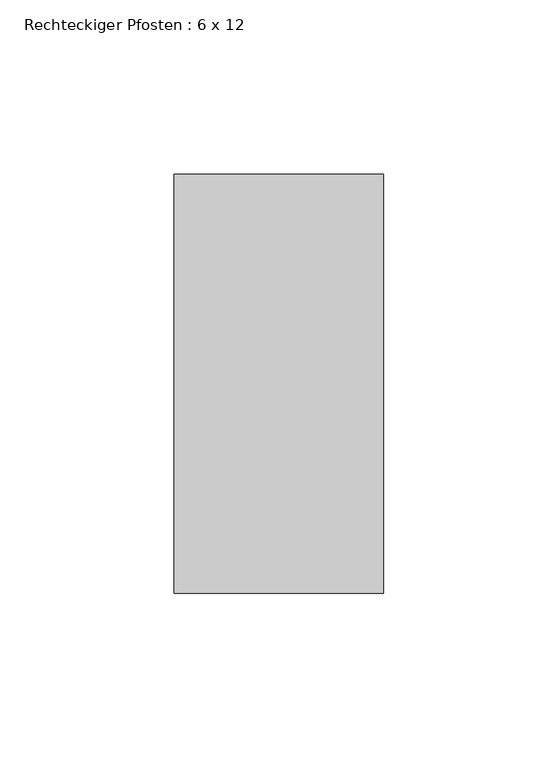
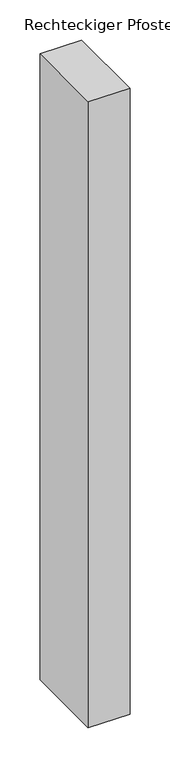
"""IFC4 building model written with IfcOpenShell, lengths in millimetres: member geometry, Rechteckiger Pfosten : 6 x 12."""

import ifcopenshell
import ifcopenshell.guid

model = None  # the IFC model being written
_history = None  # IfcOwnerHistory: only IFC2X3 demands one
_inside = {}  # id of a spatial element -> (the spatial element, [elements in it])
_under = {}  # id of a project, library or spatial element -> (it, [spatial elements below it])
_declared = {}  # id of a project -> (the project, [libraries it declares])
_typed = {}  # id of a type object -> (the type object, [elements of that type])
_made_of = {}  # id of a material, layer set ... -> (it, [elements and type objects made of it])


def new_model(schema):
    """Start an empty IFC model of exactly this schema.

    Asked for "IFC4X3", IfcOpenShell would pick the latest addendum, in which some entities
    have other attributes; the version numbers below select the first issue.
    IFC2X3 requires an IfcOwnerHistory on every rooted entity: one is made here for all.
    """
    global model, _history
    if schema == "IFC4X3":
        model = ifcopenshell.file(schema_version=(4, 3, 0, 0))
    else:
        model = ifcopenshell.file(schema=schema)
    _inside.clear()
    _under.clear()
    _declared.clear()
    _typed.clear()
    _made_of.clear()
    _history = None
    if model.schema == "IFC2X3":
        org = make("IfcOrganization", Name="unknown")
        user = make(
            "IfcPersonAndOrganization",
            ThePerson=make("IfcPerson", FamilyName="unknown"),
            TheOrganization=org,
        )
        app = make(
            "IfcApplication",
            ApplicationDeveloper=org,
            Version="unknown",
            ApplicationFullName="unknown",
            ApplicationIdentifier="unknown",
        )
        _history = make(
            "IfcOwnerHistory",
            OwningUser=user,
            OwningApplication=app,
            ChangeAction="ADDED",
            CreationDate=0,
        )
    return model


def make(cls, **values):
    """One entity of the class cls with the attributes given. An attribute that is None is left unset."""
    return model.create_entity(
        cls, **{name: value for name, value in values.items() if value is not None}
    )


def rooted(cls, **values):
    """An entity with a GlobalId (a new one), such as an element, a storey or a relation."""
    return make(cls, GlobalId=ifcopenshell.guid.new(), OwnerHistory=_history, **values)


def si_unit(unit_type, name, prefix=None):
    """IfcSIUnit, for example si_unit("LENGTHUNIT", "METRE", prefix="MILLI")."""
    return make("IfcSIUnit", UnitType=unit_type, Prefix=prefix, Name=name)


def assignment(units):
    """IfcUnitAssignment: the units of a project."""
    return None if units is None else make("IfcUnitAssignment", Units=units)


def point(xyz):
    """IfcCartesianPoint."""
    return None if xyz is None else make("IfcCartesianPoint", Coordinates=xyz)


def direction(xyz):
    """IfcDirection."""
    return None if xyz is None else make("IfcDirection", DirectionRatios=xyz)


def frame(location, z_axis=None, x_axis=None):
    """IfcAxis2Placement3D, a coordinate frame: its origin and axes. An axis left out is left unset."""
    return make(
        "IfcAxis2Placement3D",
        Location=point(location),
        Axis=direction(z_axis),
        RefDirection=direction(x_axis),
    )


def origin():
    """The frame at (0, 0, 0) with its axes left unset."""
    return frame((0.0, 0.0, 0.0))


def place(relative_to, where):
    """IfcLocalPlacement: puts the frame where relative to a parent placement (None: the world)."""
    return make(
        "IfcLocalPlacement", PlacementRelTo=relative_to, RelativePlacement=where
    )


def context(
    kind, dimensions, precision=None, world=None, true_north=None, identifier=None
):
    """IfcGeometricRepresentationContext, for example the 3D "Model" context."""
    return make(
        "IfcGeometricRepresentationContext",
        ContextIdentifier=identifier,
        ContextType=kind,
        CoordinateSpaceDimension=dimensions,
        Precision=precision,
        WorldCoordinateSystem=world,
        TrueNorth=true_north,
    )


def project(units=None, contexts=None):
    """IfcProject with its units and contexts."""
    return rooted(
        "IfcProject",
        Name="project",
        RepresentationContexts=contexts,
        UnitsInContext=assignment(units),
    )


def spatial(cls, under=None, at=None, **own):
    """A site, building, storey or space (cls), placed at a placement, below another one or the project."""
    s = rooted(cls, ObjectPlacement=at, **own)
    if under is not None:
        _under.setdefault(under.id(), (under, []))[1].append(s)
    return s


def polyline(points):
    """IfcPolyline through the points."""
    return make("IfcPolyline", Points=[point(p) for p in points])


def outline(outer, holes=None, kind="AREA"):
    """IfcArbitraryClosedProfileDef: a profile drawn as a closed curve; with holes, ...WithVoids."""
    if holes is None:
        return make("IfcArbitraryClosedProfileDef", ProfileType=kind, OuterCurve=outer)
    return make(
        "IfcArbitraryProfileDefWithVoids",
        ProfileType=kind,
        OuterCurve=outer,
        InnerCurves=holes,
    )


def extrude(swept, where, along, depth):
    """IfcExtrudedAreaSolid: the profile swept, set in the frame where, extruded along a direction by depth."""
    return make(
        "IfcExtrudedAreaSolid",
        SweptArea=swept,
        Position=where,
        ExtrudedDirection=direction(along),
        Depth=depth,
    )


def shape(context_of_items, identifier, shape_type, items):
    """IfcShapeRepresentation: the items that make up one representation, for example the "Body"."""
    return make(
        "IfcShapeRepresentation",
        ContextOfItems=context_of_items,
        RepresentationIdentifier=identifier,
        RepresentationType=shape_type,
        Items=items,
    )


def source(mapping_origin, context_of_items, identifier, shape_type, items):
    """IfcRepresentationMap: a shape defined once, which mapped items show again and again."""
    return make(
        "IfcRepresentationMap",
        MappingOrigin=mapping_origin,
        MappedRepresentation=shape(context_of_items, identifier, shape_type, items),
    )


def transform(
    local_origin,
    x_axis=None,
    y_axis=None,
    z_axis=None,
    scale=None,
    scale2=None,
    scale3=None,
    uniform=True,
):
    """IfcCartesianTransformationOperator3D, or its non-uniform kind. x_axis, y_axis, z_axis: its Axis1, 2, 3."""
    if uniform:
        return make(
            "IfcCartesianTransformationOperator3D",
            Axis1=direction(x_axis),
            Axis2=direction(y_axis),
            LocalOrigin=point(local_origin),
            Scale=scale,
            Axis3=direction(z_axis),
        )
    return make(
        "IfcCartesianTransformationOperator3DnonUniform",
        Axis1=direction(x_axis),
        Axis2=direction(y_axis),
        LocalOrigin=point(local_origin),
        Scale=scale,
        Axis3=direction(z_axis),
        Scale2=scale2,
        Scale3=scale3,
    )


def mapped(mapping_source, mapping_target):
    """IfcMappedItem: shows the shape of a source again, moved by a transform."""
    return make(
        "IfcMappedItem", MappingSource=mapping_source, MappingTarget=mapping_target
    )


def made_of(thing, what):
    """Note that an element or type object is made of a material, layer set ...; save() writes the relation."""
    if what is not None:
        _made_of.setdefault(what.id(), (what, []))[1].append(thing)
    return thing


def element(
    cls,
    number,
    at=None,
    inside=None,
    cuts=None,
    type_object=None,
    material=None,
    context=None,
    identifier="Body",
    shape_type=None,
    held_by="IfcProductDefinitionShape",
    body=None,
    shapes=None,
    **own,
):
    """One element of the class cls, such as IfcWall. Its Tag is "e" and its number.

    at: its placement. inside: the storey or other place that contains it. cuts: it is an
    opening in that element (IfcRelVoidsElement). A single representation is given by context,
    identifier, shape_type and body (its items); several are given by shapes. held_by: the class
    of the entity that holds the representations. save() writes the other relations.
    """
    e = rooted(cls, Tag="e%d" % number, ObjectPlacement=at, **own)
    if body is not None:
        shapes = [shape(context, identifier, shape_type, body)]
    if shapes is not None:
        e.Representation = make(held_by, Representations=shapes)
    if inside is not None:
        _inside.setdefault(inside.id(), (inside, []))[1].append(e)
    if cuts is not None:
        rooted(
            "IfcRelVoidsElement", RelatingBuildingElement=cuts, RelatedOpeningElement=e
        )
    if type_object is not None:
        _typed.setdefault(type_object.id(), (type_object, []))[1].append(e)
    return made_of(e, material)


def aggregate(whole, parts):
    """IfcRelAggregates: a whole, such as a stair, and the parts it consists of."""
    return rooted("IfcRelAggregates", RelatingObject=whole, RelatedObjects=parts)


def save(model, path):
    """Write the relations noted so far, then the file.

    IfcRelAggregates (storeys below a building ...), IfcRelContainedInSpatialStructure (elements
    in a storey), IfcRelDefinesByType, IfcRelAssociatesMaterial and IfcRelDeclares: one each for
    every whole, place, type object, material and project.
    """
    for whole, parts in _under.values():
        aggregate(whole, parts)
    for where, things in _inside.values():
        rooted(
            "IfcRelContainedInSpatialStructure",
            RelatedElements=things,
            RelatingStructure=where,
        )
    for kind, things in _typed.values():
        rooted("IfcRelDefinesByType", RelatedObjects=things, RelatingType=kind)
    for what, things in _made_of.values():
        rooted("IfcRelAssociatesMaterial", RelatedObjects=things, RelatingMaterial=what)
    for by, libraries in _declared.values():
        rooted("IfcRelDeclares", RelatingContext=by, RelatedDefinitions=libraries)
    model.write(path)


def rechteckiger_pfosten_6_x_12_3a283b46(model_context):
    return source(origin(), model_context, "Body", "SweptSolid", [
        extrude(outline(polyline([(0.0, 60.0), (0.0, -60.0), (-60.0, -60.0), (-60.0, 60.0), (0.0, 60.0)])), frame((0.0, 0.0, -951.6674959), z_axis=(0.0, 0.0, 1.0), x_axis=(1.0, 0.0, 0.0)), (0.0, 0.0, 1.0), 951.6674959),
    ])


if __name__ == "__main__":
    model = new_model("IFC4")
    model_context = context("Model", 3, world=origin())
    ifc_project = project(units=[si_unit("LENGTHUNIT", "METRE", prefix="MILLI")], contexts=[model_context])
    site = spatial("IfcSite", under=ifc_project)
    building = spatial("IfcBuilding", under=site)
    placement = place(None, origin())
    rechteckiger_pfosten_6_x_12_shape = rechteckiger_pfosten_6_x_12_3a283b46(model_context)
    element("IfcMember", 1, ObjectType="Rechteckiger Pfosten : 6 x 12", at=placement, inside=building, context=model_context, shape_type="MappedRepresentation", body=[
        mapped(rechteckiger_pfosten_6_x_12_shape, transform((0.0, 0.0, 0.0), x_axis=(1.0, 0.0, 0.0), y_axis=(0.0, 1.0, 0.0), z_axis=(0.0, 0.0, 1.0))),
    ])
    save(model, "model.ifc")
